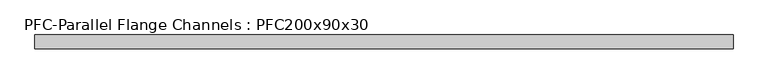
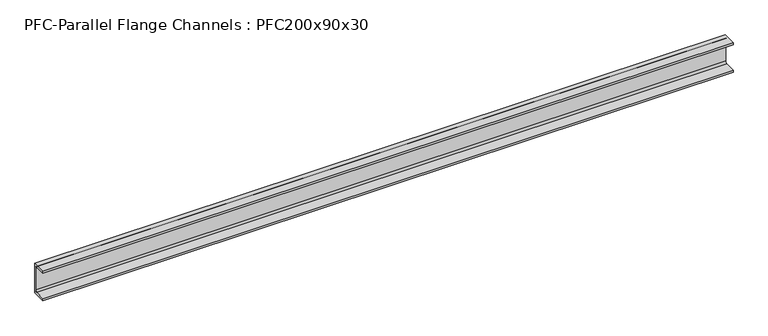
"""IFC4 building model written with IfcOpenShell, lengths in millimetres: beam geometry, PFC-Parallel Flange Channels : PFC200x90x30."""

from ifc_helpers import new_model, si_unit, point, frame, frame_2d, origin, place, context, project, spatial, polyline, circle_curve, trimmed, segment, composite_curve, outline, extrude, source, transform, mapped, element, save


def pfc_parallel_flange_channels_pfc200x90x30_a097049a(model_context):
    return source(origin(), model_context, "Body", "SweptSolid", [
        extrude(outline(composite_curve([segment(polyline([(31.0, 100.0), (31.0, -100.0), (-59.0, -100.0), (-59.0, -86.0), (12.0, -86.0)]), True, "CONTINUOUS"), segment(trimmed(circle_curve(frame_2d((12.0, -74.0)), 12.0), [point((12.0, -86.0))], [point((24.0, -74.0))], True, "CARTESIAN"), True, "CONTINUOUS"), segment(polyline([(24.0, -74.0), (24.0, 74.0)]), True, "CONTINUOUS"), segment(trimmed(circle_curve(frame_2d((12.0, 74.0)), 12.0), [point((24.0, 74.0))], [point((12.0, 86.0))], True, "CARTESIAN"), True, "CONTINUOUS"), segment(polyline([(12.0, 86.0), (-59.0, 86.0), (-59.0, 100.0), (31.0, 100.0)]), True, "CONTINUOUS")], self_intersect=False)), frame((-2233.15, 0.0, 0.0), z_axis=(1.0, 0.0, 0.0), x_axis=(0.0, 1.0, 0.0)), (0.0, 0.0, 1.0), 4466.3),
    ])


if __name__ == "__main__":
    model = new_model("IFC4")
    model_context = context("Model", 3, world=origin())
    ifc_project = project(units=[si_unit("LENGTHUNIT", "METRE", prefix="MILLI")], contexts=[model_context])
    site = spatial("IfcSite", under=ifc_project)
    building = spatial("IfcBuilding", under=site)
    placement = place(None, origin())
    pfc_parallel_flange_channels_pfc200x90x30_shape = pfc_parallel_flange_channels_pfc200x90x30_a097049a(model_context)
    element("IfcBeam", 1, ObjectType="PFC-Parallel Flange Channels : PFC200x90x30", at=placement, inside=building, context=model_context, shape_type="MappedRepresentation", body=[
        mapped(pfc_parallel_flange_channels_pfc200x90x30_shape, transform((0.0, 0.0, 0.0), x_axis=(1.0, 0.0, 0.0), y_axis=(0.0, 1.0, 0.0), z_axis=(0.0, 0.0, 1.0))),
    ])
    save(model, "model.ifc")
